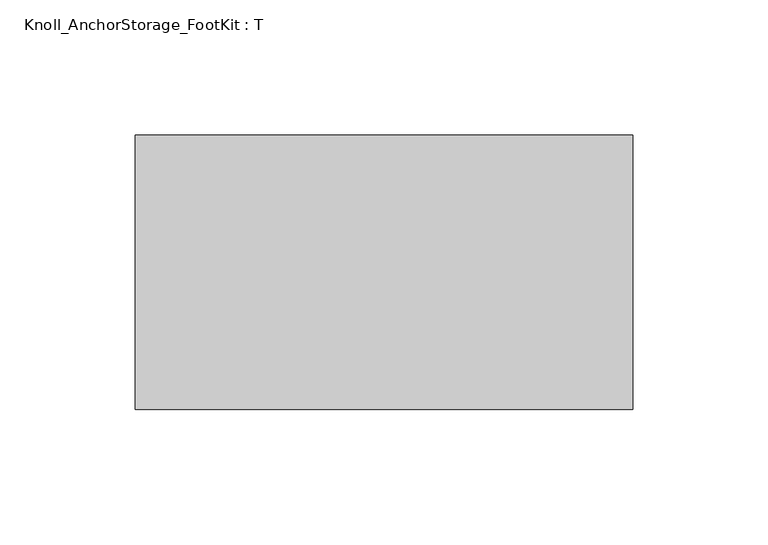
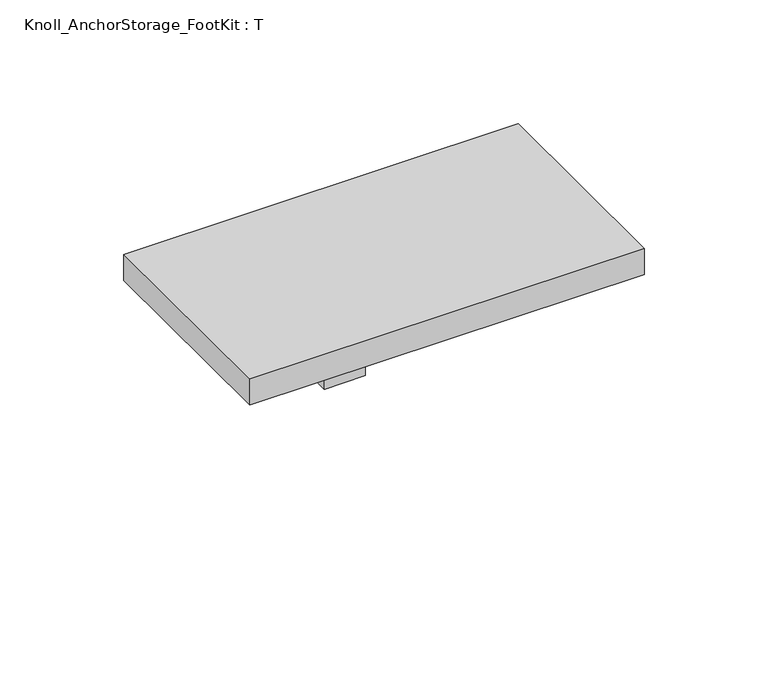
"""IFC4 building model written with IfcOpenShell, lengths in millimetres: furniture geometry, Knoll_AnchorStorage_FootKit : T."""

from ifc_helpers import new_model, si_unit, frame, origin, place, context, project, spatial, polyline, circle_curve, source, transform, mapped, element, save
from ifc_brep_helpers import plane_surface, revolved_surface, advanced_brep


def knoll_anchorstorage_footkit_t_1ca7516e(model_context):
    return source(origin(), model_context, "Body", "AdvancedBrep", [
        advanced_brep(
        [(91.8210033, -101.3460033, 83.693), (-91.8210033, -101.3460033, 83.693), (-91.8210033, -101.3460033, 70.8660005), (91.8210033, -101.3460033, 70.8660005), (91.8210033, 0.0, 83.693), (91.8210033, 0.0, 70.8660005), (23.4961342, 0.0, 70.8660005), (9.525, 0.0, 56.7690004), (9.525, 0.0, 0.0), (-9.525, 0.0, 0.0), (-9.525, 0.0, 56.7690004), (-23.6225671, 0.0, 70.8665675), (-91.8210033, 0.0, 70.8660005), (-91.8210033, 0.0, 83.693), (-23.4961342, -19.05, 70.8660005), (23.6225671, -19.05, 70.8660005), (9.525, -19.05, 56.7690004), (-9.525, -19.05, 56.7690004), (-9.525, -19.05, 0.0), (9.525, -19.05, 0.0)],
        [
            (0, 1),
            (1, 2),
            (2, 3),
            (3, 0),
            (4, 5),
            (5, 6),
            (6, 7, circle_curve(frame((23.6225671, 0.0, 56.7690004), z_axis=(0.0, -1.0, 0.0), x_axis=(1.0, 0.0, 0.0)), 14.0975671)),
            (7, 8),
            (8, 9),
            (9, 10),
            (10, 11, circle_curve(frame((-23.6225671, 0.0, 56.7690004), z_axis=(0.0, -1.0, 0.0), x_axis=(1.0, 0.0, 0.0)), 14.0975671)),
            (11, 12),
            (12, 13),
            (13, 4),
            (0, 4),
            (13, 1),
            (12, 2),
            (11, 14),
            (14, 15),
            (15, 6),
            (5, 3),
            (16, 15, circle_curve(frame((23.6225671, -19.05, 56.7690004), z_axis=(0.0, 1.0, 0.0), x_axis=(1.0, 0.0, 0.0)), 14.0975671)),
            (14, 17, circle_curve(frame((-23.6225671, -19.05, 56.7690004), z_axis=(0.0, 1.0, 0.0), x_axis=(1.0, 0.0, 0.0)), 14.0975671)),
            (17, 18),
            (18, 19),
            (19, 16),
            (16, 7),
            (10, 17),
            (9, 18),
            (8, 19),
        ],
        [
            plane_surface(frame((-91.8210033, -101.3460033, 83.693), z_axis=(0.0, -1.0, 0.0), x_axis=(-1.0, 0.0, 0.0))),
            plane_surface(frame((-91.8210033, 0.0, 83.693), z_axis=(0.0, 1.0, 0.0), x_axis=(1.0, 0.0, 0.0))),
            plane_surface(frame((91.8210033, -101.3460033, 83.693), z_axis=(0.0, 0.0, 1.0), x_axis=(0.0, 1.0, 0.0))),
            plane_surface(frame((-91.8210033, -101.3460033, 83.693), z_axis=(-1.0, 0.0, 0.0), x_axis=(0.0, 1.0, 0.0))),
            plane_surface(frame((-91.8210033, -101.3460033, 70.8660005), z_axis=(0.0, 0.0, -1.0), x_axis=(0.0, 1.0, 0.0))),
            plane_surface(frame((91.8210033, -101.3460033, 70.8660005), z_axis=(1.0, 0.0, 0.0), x_axis=(0.0, 1.0, 0.0))),
            plane_surface(frame((37.7201343, -19.05, 56.7690004), z_axis=(0.0, -1.0, 0.0), x_axis=(0.0, 0.0, -1.0))),
            revolved_surface(polyline([(37.720134200000004, 0.0, 56.7690004), (37.720134200000004, -19.05, 56.7690004)]), (23.6225671, 0.0, 56.7690004), (0.0, 1.0, 0.0)),
            revolved_surface(polyline([(-9.525000000000002, 0.0, 56.7690004), (-9.525000000000002, -19.05, 56.7690004)]), (-23.6225671, 0.0, 56.7690004), (0.0, 1.0, 0.0)),
            plane_surface(frame((-9.525, -19.05, 56.7690004), z_axis=(-1.0, 0.0, 0.0), x_axis=(0.0, 1.0, 0.0))),
            plane_surface(frame((-9.525, -19.05, 0.0), z_axis=(0.0, 0.0, -1.0), x_axis=(0.0, 1.0, 0.0))),
            plane_surface(frame((9.525, -19.05, 0.0), z_axis=(1.0, 0.0, 0.0), x_axis=(0.0, 1.0, 0.0))),
        ],
        [
            (0, [[1, 2, 3, 4]]),
            (1, [[5, 6, 7, 8, 9, 10, 11, 12, 13, 14]]),
            (2, [[-1, 15, -14, 16]]),
            (3, [[-2, -16, -13, 17]]),
            (4, [[-3, -17, -12, 18, 19, 20, -6, 21]]),
            (5, [[-4, -21, -5, -15]]),
            (6, [[22, -19, 23, 24, 25, 26]]),
            (7, [[-22, 27, -7, -20]]),
            (8, [[-23, -18, -11, 28]]),
            (9, [[-24, -28, -10, 29]]),
            (10, [[-25, -29, -9, 30]]),
            (11, [[-26, -30, -8, -27]]),
        ],
    ),
    ])


if __name__ == "__main__":
    model = new_model("IFC4")
    model_context = context("Model", 3, world=origin())
    ifc_project = project(units=[si_unit("LENGTHUNIT", "METRE", prefix="MILLI")], contexts=[model_context])
    site = spatial("IfcSite", under=ifc_project)
    building = spatial("IfcBuilding", under=site)
    placement = place(None, origin())
    knoll_anchorstorage_footkit_t_shape = knoll_anchorstorage_footkit_t_1ca7516e(model_context)
    element("IfcFurniture", 1, ObjectType="Knoll_AnchorStorage_FootKit : T", at=placement, inside=building, context=model_context, shape_type="MappedRepresentation", body=[
        mapped(knoll_anchorstorage_footkit_t_shape, transform((0.0, 0.0, 0.0), x_axis=(1.0, 0.0, 0.0), y_axis=(0.0, 1.0, 0.0), z_axis=(0.0, 0.0, 1.0))),
    ])
    save(model, "model.ifc")
